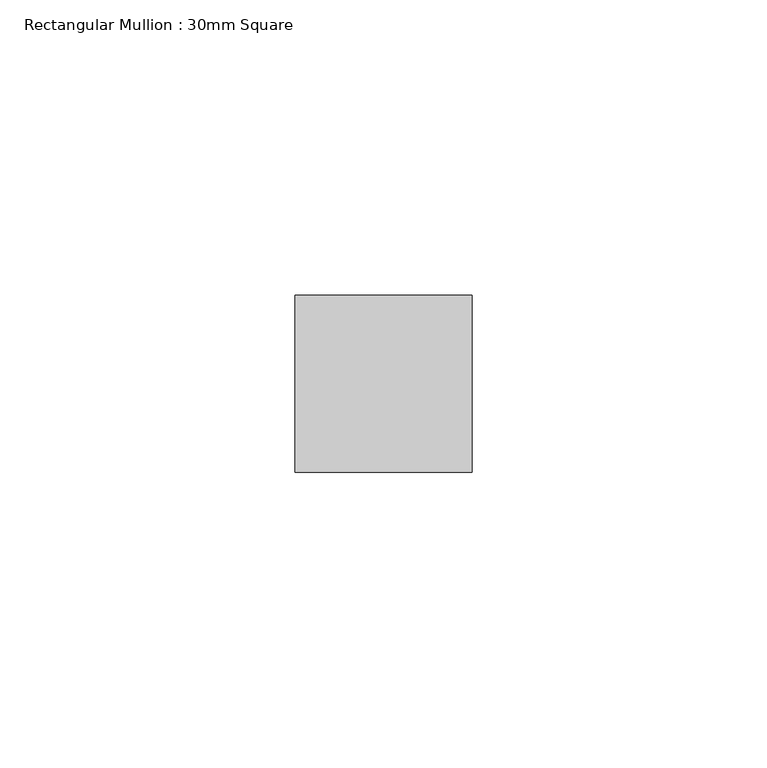
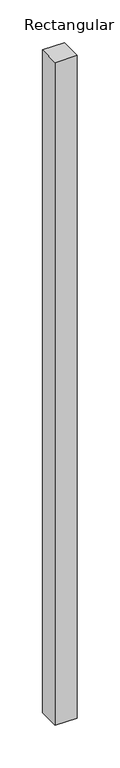
"""IFC4 building model written with IfcOpenShell, lengths in millimetres: member geometry, Rectangular Mullion : 30mm Square."""

import ifcopenshell
import ifcopenshell.guid

model = None  # the IFC model being written
_history = None  # IfcOwnerHistory: only IFC2X3 demands one
_inside = {}  # id of a spatial element -> (the spatial element, [elements in it])
_under = {}  # id of a project, library or spatial element -> (it, [spatial elements below it])
_declared = {}  # id of a project -> (the project, [libraries it declares])
_typed = {}  # id of a type object -> (the type object, [elements of that type])
_made_of = {}  # id of a material, layer set ... -> (it, [elements and type objects made of it])


def new_model(schema):
    """Start an empty IFC model of exactly this schema.

    Asked for "IFC4X3", IfcOpenShell would pick the latest addendum, in which some entities
    have other attributes; the version numbers below select the first issue.
    IFC2X3 requires an IfcOwnerHistory on every rooted entity: one is made here for all.
    """
    global model, _history
    if schema == "IFC4X3":
        model = ifcopenshell.file(schema_version=(4, 3, 0, 0))
    else:
        model = ifcopenshell.file(schema=schema)
    _inside.clear()
    _under.clear()
    _declared.clear()
    _typed.clear()
    _made_of.clear()
    _history = None
    if model.schema == "IFC2X3":
        org = make("IfcOrganization", Name="unknown")
        user = make(
            "IfcPersonAndOrganization",
            ThePerson=make("IfcPerson", FamilyName="unknown"),
            TheOrganization=org,
        )
        app = make(
            "IfcApplication",
            ApplicationDeveloper=org,
            Version="unknown",
            ApplicationFullName="unknown",
            ApplicationIdentifier="unknown",
        )
        _history = make(
            "IfcOwnerHistory",
            OwningUser=user,
            OwningApplication=app,
            ChangeAction="ADDED",
            CreationDate=0,
        )
    return model


def make(cls, **values):
    """One entity of the class cls with the attributes given. An attribute that is None is left unset."""
    return model.create_entity(
        cls, **{name: value for name, value in values.items() if value is not None}
    )


def rooted(cls, **values):
    """An entity with a GlobalId (a new one), such as an element, a storey or a relation."""
    return make(cls, GlobalId=ifcopenshell.guid.new(), OwnerHistory=_history, **values)


def si_unit(unit_type, name, prefix=None):
    """IfcSIUnit, for example si_unit("LENGTHUNIT", "METRE", prefix="MILLI")."""
    return make("IfcSIUnit", UnitType=unit_type, Prefix=prefix, Name=name)


def assignment(units):
    """IfcUnitAssignment: the units of a project."""
    return None if units is None else make("IfcUnitAssignment", Units=units)


def point(xyz):
    """IfcCartesianPoint."""
    return None if xyz is None else make("IfcCartesianPoint", Coordinates=xyz)


def direction(xyz):
    """IfcDirection."""
    return None if xyz is None else make("IfcDirection", DirectionRatios=xyz)


def frame(location, z_axis=None, x_axis=None):
    """IfcAxis2Placement3D, a coordinate frame: its origin and axes. An axis left out is left unset."""
    return make(
        "IfcAxis2Placement3D",
        Location=point(location),
        Axis=direction(z_axis),
        RefDirection=direction(x_axis),
    )


def origin():
    """The frame at (0, 0, 0) with its axes left unset."""
    return frame((0.0, 0.0, 0.0))


def place(relative_to, where):
    """IfcLocalPlacement: puts the frame where relative to a parent placement (None: the world)."""
    return make(
        "IfcLocalPlacement", PlacementRelTo=relative_to, RelativePlacement=where
    )


def context(
    kind, dimensions, precision=None, world=None, true_north=None, identifier=None
):
    """IfcGeometricRepresentationContext, for example the 3D "Model" context."""
    return make(
        "IfcGeometricRepresentationContext",
        ContextIdentifier=identifier,
        ContextType=kind,
        CoordinateSpaceDimension=dimensions,
        Precision=precision,
        WorldCoordinateSystem=world,
        TrueNorth=true_north,
    )


def project(units=None, contexts=None):
    """IfcProject with its units and contexts."""
    return rooted(
        "IfcProject",
        Name="project",
        RepresentationContexts=contexts,
        UnitsInContext=assignment(units),
    )


def spatial(cls, under=None, at=None, **own):
    """A site, building, storey or space (cls), placed at a placement, below another one or the project."""
    s = rooted(cls, ObjectPlacement=at, **own)
    if under is not None:
        _under.setdefault(under.id(), (under, []))[1].append(s)
    return s


def polyline(points):
    """IfcPolyline through the points."""
    return make("IfcPolyline", Points=[point(p) for p in points])


def outline(outer, holes=None, kind="AREA"):
    """IfcArbitraryClosedProfileDef: a profile drawn as a closed curve; with holes, ...WithVoids."""
    if holes is None:
        return make("IfcArbitraryClosedProfileDef", ProfileType=kind, OuterCurve=outer)
    return make(
        "IfcArbitraryProfileDefWithVoids",
        ProfileType=kind,
        OuterCurve=outer,
        InnerCurves=holes,
    )


def extrude(swept, where, along, depth):
    """IfcExtrudedAreaSolid: the profile swept, set in the frame where, extruded along a direction by depth."""
    return make(
        "IfcExtrudedAreaSolid",
        SweptArea=swept,
        Position=where,
        ExtrudedDirection=direction(along),
        Depth=depth,
    )


def shape(context_of_items, identifier, shape_type, items):
    """IfcShapeRepresentation: the items that make up one representation, for example the "Body"."""
    return make(
        "IfcShapeRepresentation",
        ContextOfItems=context_of_items,
        RepresentationIdentifier=identifier,
        RepresentationType=shape_type,
        Items=items,
    )


def source(mapping_origin, context_of_items, identifier, shape_type, items):
    """IfcRepresentationMap: a shape defined once, which mapped items show again and again."""
    return make(
        "IfcRepresentationMap",
        MappingOrigin=mapping_origin,
        MappedRepresentation=shape(context_of_items, identifier, shape_type, items),
    )


def transform(
    local_origin,
    x_axis=None,
    y_axis=None,
    z_axis=None,
    scale=None,
    scale2=None,
    scale3=None,
    uniform=True,
):
    """IfcCartesianTransformationOperator3D, or its non-uniform kind. x_axis, y_axis, z_axis: its Axis1, 2, 3."""
    if uniform:
        return make(
            "IfcCartesianTransformationOperator3D",
            Axis1=direction(x_axis),
            Axis2=direction(y_axis),
            LocalOrigin=point(local_origin),
            Scale=scale,
            Axis3=direction(z_axis),
        )
    return make(
        "IfcCartesianTransformationOperator3DnonUniform",
        Axis1=direction(x_axis),
        Axis2=direction(y_axis),
        LocalOrigin=point(local_origin),
        Scale=scale,
        Axis3=direction(z_axis),
        Scale2=scale2,
        Scale3=scale3,
    )


def mapped(mapping_source, mapping_target):
    """IfcMappedItem: shows the shape of a source again, moved by a transform."""
    return make(
        "IfcMappedItem", MappingSource=mapping_source, MappingTarget=mapping_target
    )


def made_of(thing, what):
    """Note that an element or type object is made of a material, layer set ...; save() writes the relation."""
    if what is not None:
        _made_of.setdefault(what.id(), (what, []))[1].append(thing)
    return thing


def element(
    cls,
    number,
    at=None,
    inside=None,
    cuts=None,
    type_object=None,
    material=None,
    context=None,
    identifier="Body",
    shape_type=None,
    held_by="IfcProductDefinitionShape",
    body=None,
    shapes=None,
    **own,
):
    """One element of the class cls, such as IfcWall. Its Tag is "e" and its number.

    at: its placement. inside: the storey or other place that contains it. cuts: it is an
    opening in that element (IfcRelVoidsElement). A single representation is given by context,
    identifier, shape_type and body (its items); several are given by shapes. held_by: the class
    of the entity that holds the representations. save() writes the other relations.
    """
    e = rooted(cls, Tag="e%d" % number, ObjectPlacement=at, **own)
    if body is not None:
        shapes = [shape(context, identifier, shape_type, body)]
    if shapes is not None:
        e.Representation = make(held_by, Representations=shapes)
    if inside is not None:
        _inside.setdefault(inside.id(), (inside, []))[1].append(e)
    if cuts is not None:
        rooted(
            "IfcRelVoidsElement", RelatingBuildingElement=cuts, RelatedOpeningElement=e
        )
    if type_object is not None:
        _typed.setdefault(type_object.id(), (type_object, []))[1].append(e)
    return made_of(e, material)


def aggregate(whole, parts):
    """IfcRelAggregates: a whole, such as a stair, and the parts it consists of."""
    return rooted("IfcRelAggregates", RelatingObject=whole, RelatedObjects=parts)


def save(model, path):
    """Write the relations noted so far, then the file.

    IfcRelAggregates (storeys below a building ...), IfcRelContainedInSpatialStructure (elements
    in a storey), IfcRelDefinesByType, IfcRelAssociatesMaterial and IfcRelDeclares: one each for
    every whole, place, type object, material and project.
    """
    for whole, parts in _under.values():
        aggregate(whole, parts)
    for where, things in _inside.values():
        rooted(
            "IfcRelContainedInSpatialStructure",
            RelatedElements=things,
            RelatingStructure=where,
        )
    for kind, things in _typed.values():
        rooted("IfcRelDefinesByType", RelatedObjects=things, RelatingType=kind)
    for what, things in _made_of.values():
        rooted("IfcRelAssociatesMaterial", RelatedObjects=things, RelatingMaterial=what)
    for by, libraries in _declared.values():
        rooted("IfcRelDeclares", RelatingContext=by, RelatedDefinitions=libraries)
    model.write(path)


def rectangular_mullion_30mm_square_c5c59047(model_context):
    return source(origin(), model_context, "Body", "SweptSolid", [
        extrude(outline(polyline([(0.0, 15.0), (0.0, -15.0), (-30.0, -15.0), (-30.0, 15.0), (0.0, 15.0)])), frame((0.0, 0.0, -950.6169642), z_axis=(0.0, 0.0, 1.0), x_axis=(1.0, 0.0, 0.0)), (0.0, 0.0, 1.0), 950.6169642),
    ])


if __name__ == "__main__":
    model = new_model("IFC4")
    model_context = context("Model", 3, world=origin())
    ifc_project = project(units=[si_unit("LENGTHUNIT", "METRE", prefix="MILLI")], contexts=[model_context])
    site = spatial("IfcSite", under=ifc_project)
    building = spatial("IfcBuilding", under=site)
    placement = place(None, origin())
    rectangular_mullion_30mm_square_shape = rectangular_mullion_30mm_square_c5c59047(model_context)
    element("IfcMember", 1, ObjectType="Rectangular Mullion : 30mm Square", at=placement, inside=building, context=model_context, shape_type="MappedRepresentation", body=[
        mapped(rectangular_mullion_30mm_square_shape, transform((0.0, 0.0, 0.0), x_axis=(1.0, 0.0, 0.0), y_axis=(0.0, 1.0, 0.0), z_axis=(0.0, 0.0, 1.0))),
    ])
    save(model, "model.ifc")
